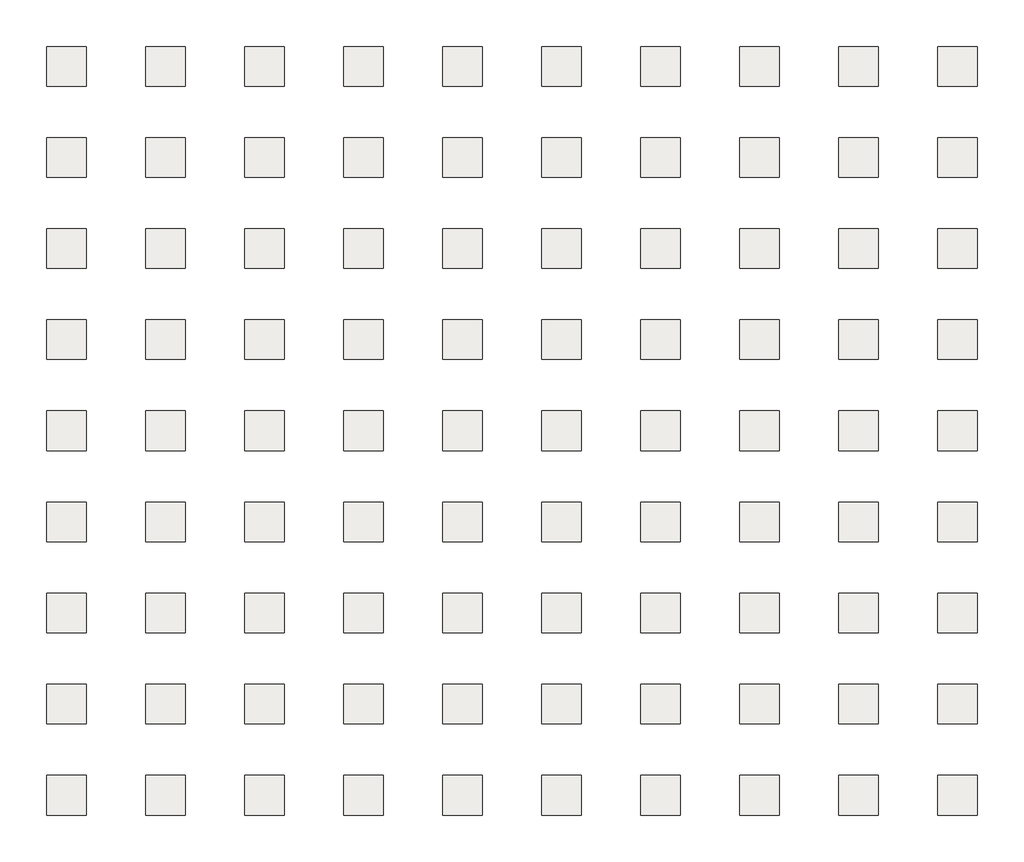
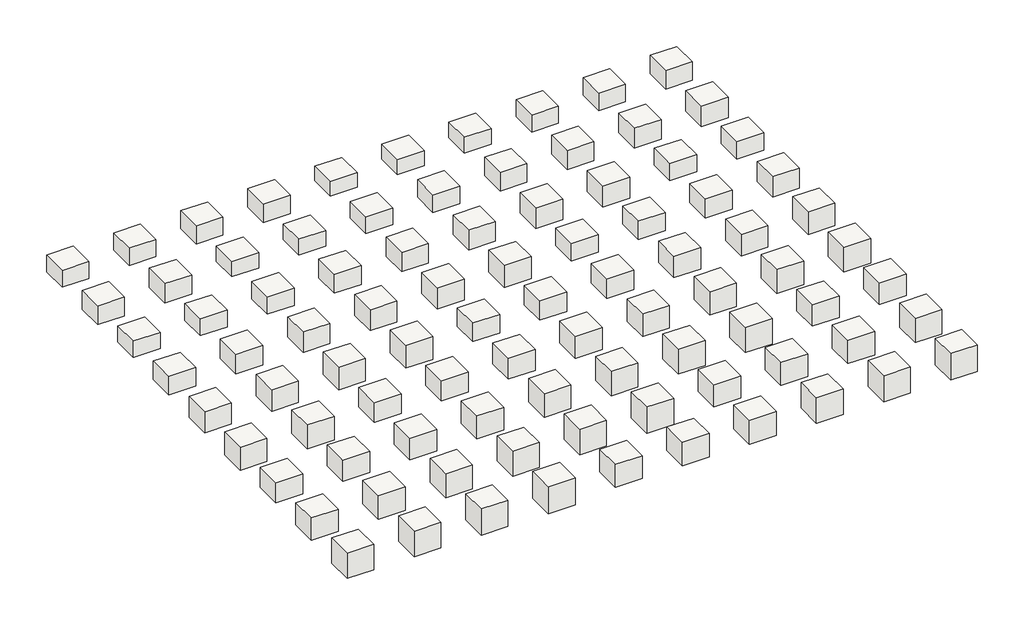
# One storey: 90 slabs.
"""IFC4 building model written with IfcOpenShell, lengths in millimetres."""

from ifc_helpers import new_model, si_unit, frame, origin, place, context, project, spatial, polyline, outline, extrude, element, save

model = new_model("IFC4")

# Units and contexts
model_context = context("Model", 3, world=origin())
ifc_project = project(units=[si_unit("LENGTHUNIT", "METRE", prefix="MILLI")], contexts=[model_context])

# Site, building, storey
site = spatial("IfcSite", under=ifc_project)
building = spatial("IfcBuilding", under=site)
storey = spatial("IfcBuildingStorey", under=building, Elevation=7010.4)

# Slabs
placement = place(None, origin())
element("IfcSlab", 1, at=placement, inside=storey, context=model_context, shape_type="SweptSolid", body=[
    extrude(outline(polyline([(-14128.9835383, 9270.2863389), (-14128.9835383, 6222.2863389), (-17176.9835383, 6222.2863389), (-17176.9835383, 9270.2863389), (-14128.9835383, 9270.2863389)])), frame((0.0, 0.0, 4998.7199314), z_axis=(0.0, 0.0, 1.0), x_axis=(1.0, 0.0, 0.0)), (0.0, 0.0, 1.0), 2011.6800686),
])
element("IfcSlab", 2, at=placement, inside=storey, context=model_context, shape_type="SweptSolid", body=[
    extrude(outline(polyline([(-6508.9835383, 9270.2863389), (-6508.9835383, 6222.2863389), (-9556.9835383, 6222.2863389), (-9556.9835383, 9270.2863389), (-6508.9835383, 9270.2863389)])), frame((0.0, 0.0, 4922.5199314), z_axis=(0.0, 0.0, 1.0), x_axis=(1.0, 0.0, 0.0)), (0.0, 0.0, 1.0), 2087.8800686),
])
element("IfcSlab", 3, at=placement, inside=storey, context=model_context, shape_type="SweptSolid", body=[
    extrude(outline(polyline([(1111.0164617, 9270.2863389), (1111.0164617, 6222.2863389), (-1936.9835383, 6222.2863389), (-1936.9835383, 9270.2863389), (1111.0164617, 9270.2863389)])), frame((0.0, 0.0, 4846.3199314), z_axis=(0.0, 0.0, 1.0), x_axis=(1.0, 0.0, 0.0)), (0.0, 0.0, 1.0), 2164.0800686),
])
element("IfcSlab", 4, at=placement, inside=storey, context=model_context, shape_type="SweptSolid", body=[
    extrude(outline(polyline([(8731.0164617, 9270.2863389), (8731.0164617, 6222.2863389), (5683.0164617, 6222.2863389), (5683.0164617, 9270.2863389), (8731.0164617, 9270.2863389)])), frame((0.0, 0.0, 4770.1199314), z_axis=(0.0, 0.0, 1.0), x_axis=(1.0, 0.0, 0.0)), (0.0, 0.0, 1.0), 2240.2800686),
])
element("IfcSlab", 5, at=placement, inside=storey, context=model_context, shape_type="SweptSolid", body=[
    extrude(outline(polyline([(16351.0164617, 9270.2863389), (16351.0164617, 6222.2863389), (13303.0164617, 6222.2863389), (13303.0164617, 9270.2863389), (16351.0164617, 9270.2863389)])), frame((0.0, 0.0, 5280.6599896), z_axis=(0.0, 0.0, 1.0), x_axis=(1.0, 0.0, 0.0)), (0.0, 0.0, 1.0), 1729.7400104),
])
element("IfcSlab", 6, at=placement, inside=storey, context=model_context, shape_type="SweptSolid", body=[
    extrude(outline(polyline([(23971.0164617, 9270.2863389), (23971.0164617, 6222.2863389), (20923.0164617, 6222.2863389), (20923.0164617, 9270.2863389), (23971.0164617, 9270.2863389)])), frame((0.0, 0.0, 5204.4599896), z_axis=(0.0, 0.0, 1.0), x_axis=(1.0, 0.0, 0.0)), (0.0, 0.0, 1.0), 1805.9400104),
])
element("IfcSlab", 7, at=placement, inside=storey, context=model_context, shape_type="SweptSolid", body=[
    extrude(outline(polyline([(31591.0164617, 9270.2863389), (31591.0164617, 6222.2863389), (28543.0164617, 6222.2863389), (28543.0164617, 9270.2863389), (31591.0164617, 9270.2863389)])), frame((0.0, 0.0, 5128.2599896), z_axis=(0.0, 0.0, 1.0), x_axis=(1.0, 0.0, 0.0)), (0.0, 0.0, 1.0), 1882.1400104),
])
element("IfcSlab", 8, at=placement, inside=storey, context=model_context, shape_type="SweptSolid", body=[
    extrude(outline(polyline([(39211.0164617, 9270.2863389), (39211.0164617, 6222.2863389), (36163.0164617, 6222.2863389), (36163.0164617, 9270.2863389), (39211.0164617, 9270.2863389)])), frame((0.0, 0.0, 4975.8599896), z_axis=(0.0, 0.0, 1.0), x_axis=(1.0, 0.0, 0.0)), (0.0, 0.0, 1.0), 2034.5400104),
])
element("IfcSlab", 9, at=placement, inside=storey, context=model_context, shape_type="SweptSolid", body=[
    extrude(outline(polyline([(46831.0164617, 9270.2863389), (46831.0164617, 6222.2863389), (43783.0164617, 6222.2863389), (43783.0164617, 9270.2863389), (46831.0164617, 9270.2863389)])), frame((0.0, 0.0, 4899.6599896), z_axis=(0.0, 0.0, 1.0), x_axis=(1.0, 0.0, 0.0)), (0.0, 0.0, 1.0), 2110.7400104),
])
element("IfcSlab", 10, at=placement, inside=storey, context=model_context, shape_type="SweptSolid", body=[
    extrude(outline(polyline([(54451.0164617, 9270.2863389), (54451.0164617, 6222.2863389), (51403.0164617, 6222.2863389), (51403.0164617, 9270.2863389), (54451.0164617, 9270.2863389)])), frame((0.0, 0.0, 4823.4599896), z_axis=(0.0, 0.0, 1.0), x_axis=(1.0, 0.0, 0.0)), (0.0, 0.0, 1.0), 2186.9400104),
])
element("IfcSlab", 11, at=placement, inside=storey, context=model_context, shape_type="SweptSolid", body=[
    extrude(outline(polyline([(-14128.9835383, 2259.8863389), (-14128.9835383, -788.1136611), (-17176.9835383, -788.1136611), (-17176.9835383, 2259.8863389), (-14128.9835383, 2259.8863389)])), frame((0.0, 0.0, 4747.2599896), z_axis=(0.0, 0.0, 1.0), x_axis=(1.0, 0.0, 0.0)), (0.0, 0.0, 1.0), 2263.1400104),
])
element("IfcSlab", 12, at=placement, inside=storey, context=model_context, shape_type="SweptSolid", body=[
    extrude(outline(polyline([(-6508.9835383, 2259.8863389), (-6508.9835383, -788.1136611), (-9556.9835383, -788.1136611), (-9556.9835383, 2259.8863389), (-6508.9835383, 2259.8863389)])), frame((0.0, 0.0, 4671.0599896), z_axis=(0.0, 0.0, 1.0), x_axis=(1.0, 0.0, 0.0)), (0.0, 0.0, 1.0), 2339.3400104),
])
element("IfcSlab", 13, at=placement, inside=storey, context=model_context, shape_type="SweptSolid", body=[
    extrude(outline(polyline([(1111.0164617, 2259.8863389), (1111.0164617, -788.1136611), (-1936.9835383, -788.1136611), (-1936.9835383, 2259.8863389), (1111.0164617, 2259.8863389)])), frame((0.0, 0.0, 5179.0599411), z_axis=(0.0, 0.0, 1.0), x_axis=(1.0, 0.0, 0.0)), (0.0, 0.0, 1.0), 1831.3400589),
])
element("IfcSlab", 14, at=placement, inside=storey, context=model_context, shape_type="SweptSolid", body=[
    extrude(outline(polyline([(8731.0164617, 2259.8863389), (8731.0164617, -788.1136611), (5683.0164617, -788.1136611), (5683.0164617, 2259.8863389), (8731.0164617, 2259.8863389)])), frame((0.0, 0.0, 5102.8599411), z_axis=(0.0, 0.0, 1.0), x_axis=(1.0, 0.0, 0.0)), (0.0, 0.0, 1.0), 1907.5400589),
])
element("IfcSlab", 15, at=placement, inside=storey, context=model_context, shape_type="SweptSolid", body=[
    extrude(outline(polyline([(16351.0164617, 2259.8863389), (16351.0164617, -788.1136611), (13303.0164617, -788.1136611), (13303.0164617, 2259.8863389), (16351.0164617, 2259.8863389)])), frame((0.0, 0.0, 5026.6599411), z_axis=(0.0, 0.0, 1.0), x_axis=(1.0, 0.0, 0.0)), (0.0, 0.0, 1.0), 1983.7400589),
])
element("IfcSlab", 16, at=placement, inside=storey, context=model_context, shape_type="SweptSolid", body=[
    extrude(outline(polyline([(23971.0164617, 2259.8863389), (23971.0164617, -788.1136611), (20923.0164617, -788.1136611), (20923.0164617, 2259.8863389), (23971.0164617, 2259.8863389)])), frame((0.0, 0.0, 4874.2599411), z_axis=(0.0, 0.0, 1.0), x_axis=(1.0, 0.0, 0.0)), (0.0, 0.0, 1.0), 2136.1400589),
])
element("IfcSlab", 17, at=placement, inside=storey, context=model_context, shape_type="SweptSolid", body=[
    extrude(outline(polyline([(31591.0164617, 2259.8863389), (31591.0164617, -788.1136611), (28543.0164617, -788.1136611), (28543.0164617, 2259.8863389), (31591.0164617, 2259.8863389)])), frame((0.0, 0.0, 4798.0599411), z_axis=(0.0, 0.0, 1.0), x_axis=(1.0, 0.0, 0.0)), (0.0, 0.0, 1.0), 2212.3400589),
])
element("IfcSlab", 18, at=placement, inside=storey, context=model_context, shape_type="SweptSolid", body=[
    extrude(outline(polyline([(39211.0164617, 2259.8863389), (39211.0164617, -788.1136611), (36163.0164617, -788.1136611), (36163.0164617, 2259.8863389), (39211.0164617, 2259.8863389)])), frame((0.0, 0.0, 4721.8599411), z_axis=(0.0, 0.0, 1.0), x_axis=(1.0, 0.0, 0.0)), (0.0, 0.0, 1.0), 2288.5400589),
])
element("IfcSlab", 19, at=placement, inside=storey, context=model_context, shape_type="SweptSolid", body=[
    extrude(outline(polyline([(46831.0164617, 2259.8863389), (46831.0164617, -788.1136611), (43783.0164617, -788.1136611), (43783.0164617, 2259.8863389), (46831.0164617, 2259.8863389)])), frame((0.0, 0.0, 4645.6599411), z_axis=(0.0, 0.0, 1.0), x_axis=(1.0, 0.0, 0.0)), (0.0, 0.0, 1.0), 2364.7400589),
])
element("IfcSlab", 20, at=placement, inside=storey, context=model_context, shape_type="SweptSolid", body=[
    extrude(outline(polyline([(54451.0164617, 2259.8863389), (54451.0164617, -788.1136611), (51403.0164617, -788.1136611), (51403.0164617, 2259.8863389), (54451.0164617, 2259.8863389)])), frame((0.0, 0.0, 4569.4599411), z_axis=(0.0, 0.0, 1.0), x_axis=(1.0, 0.0, 0.0)), (0.0, 0.0, 1.0), 2440.9400589),
])
element("IfcSlab", 21, at=placement, inside=storey, context=model_context, shape_type="SweptSolid", body=[
    extrude(outline(polyline([(-14128.9835383, -4750.5136611), (-14128.9835383, -7798.5136611), (-17176.9835383, -7798.5136611), (-17176.9835383, -4750.5136611), (-14128.9835383, -4750.5136611)])), frame((0.0, 0.0, 5079.9999992), z_axis=(0.0, 0.0, 1.0), x_axis=(1.0, 0.0, 0.0)), (0.0, 0.0, 1.0), 1930.4000008),
])
element("IfcSlab", 22, at=placement, inside=storey, context=model_context, shape_type="SweptSolid", body=[
    extrude(outline(polyline([(-6508.9835383, -4750.5136611), (-6508.9835383, -7798.5136611), (-9556.9835383, -7798.5136611), (-9556.9835383, -4750.5136611), (-6508.9835383, -4750.5136611)])), frame((0.0, 0.0, 5003.7999992), z_axis=(0.0, 0.0, 1.0), x_axis=(1.0, 0.0, 0.0)), (0.0, 0.0, 1.0), 2006.6000008),
])
element("IfcSlab", 23, at=placement, inside=storey, context=model_context, shape_type="SweptSolid", body=[
    extrude(outline(polyline([(1111.0164617, -4750.5136611), (1111.0164617, -7798.5136611), (-1936.9835383, -7798.5136611), (-1936.9835383, -4750.5136611), (1111.0164617, -4750.5136611)])), frame((0.0, 0.0, 4927.5999992), z_axis=(0.0, 0.0, 1.0), x_axis=(1.0, 0.0, 0.0)), (0.0, 0.0, 1.0), 2082.8000008),
])
element("IfcSlab", 24, at=placement, inside=storey, context=model_context, shape_type="SweptSolid", body=[
    extrude(outline(polyline([(8731.0164617, -4750.5136611), (8731.0164617, -7798.5136611), (5683.0164617, -7798.5136611), (5683.0164617, -4750.5136611), (8731.0164617, -4750.5136611)])), frame((0.0, 0.0, 4775.1999992), z_axis=(0.0, 0.0, 1.0), x_axis=(1.0, 0.0, 0.0)), (0.0, 0.0, 1.0), 2235.2000008),
])
element("IfcSlab", 25, at=placement, inside=storey, context=model_context, shape_type="SweptSolid", body=[
    extrude(outline(polyline([(16351.0164617, -4750.5136611), (16351.0164617, -7798.5136611), (13303.0164617, -7798.5136611), (13303.0164617, -4750.5136611), (16351.0164617, -4750.5136611)])), frame((0.0, 0.0, 4698.9999992), z_axis=(0.0, 0.0, 1.0), x_axis=(1.0, 0.0, 0.0)), (0.0, 0.0, 1.0), 2311.4000008),
])
element("IfcSlab", 26, at=placement, inside=storey, context=model_context, shape_type="SweptSolid", body=[
    extrude(outline(polyline([(23971.0164617, -4750.5136611), (23971.0164617, -7798.5136611), (20923.0164617, -7798.5136611), (20923.0164617, -4750.5136611), (23971.0164617, -4750.5136611)])), frame((0.0, 0.0, 4622.7999992), z_axis=(0.0, 0.0, 1.0), x_axis=(1.0, 0.0, 0.0)), (0.0, 0.0, 1.0), 2387.6000008),
])
element("IfcSlab", 27, at=placement, inside=storey, context=model_context, shape_type="SweptSolid", body=[
    extrude(outline(polyline([(31591.0164617, -4750.5136611), (31591.0164617, -7798.5136611), (28543.0164617, -7798.5136611), (28543.0164617, -4750.5136611), (31591.0164617, -4750.5136611)])), frame((0.0, 0.0, 4546.5999992), z_axis=(0.0, 0.0, 1.0), x_axis=(1.0, 0.0, 0.0)), (0.0, 0.0, 1.0), 2463.8000008),
])
element("IfcSlab", 28, at=placement, inside=storey, context=model_context, shape_type="SweptSolid", body=[
    extrude(outline(polyline([(39211.0164617, -4750.5136611), (39211.0164617, -7798.5136611), (36163.0164617, -7798.5136611), (36163.0164617, -4750.5136611), (39211.0164617, -4750.5136611)])), frame((0.0, 0.0, 4470.3999992), z_axis=(0.0, 0.0, 1.0), x_axis=(1.0, 0.0, 0.0)), (0.0, 0.0, 1.0), 2540.0000008),
])
element("IfcSlab", 29, at=placement, inside=storey, context=model_context, shape_type="SweptSolid", body=[
    extrude(outline(polyline([(46831.0164617, -4750.5136611), (46831.0164617, -7798.5136611), (43783.0164617, -7798.5136611), (43783.0164617, -4750.5136611), (46831.0164617, -4750.5136611)])), frame((0.0, 0.0, 4980.9400574), z_axis=(0.0, 0.0, 1.0), x_axis=(1.0, 0.0, 0.0)), (0.0, 0.0, 1.0), 2029.4599426),
])
element("IfcSlab", 30, at=placement, inside=storey, context=model_context, shape_type="SweptSolid", body=[
    extrude(outline(polyline([(54451.0164617, -4750.5136611), (54451.0164617, -7798.5136611), (51403.0164617, -7798.5136611), (51403.0164617, -4750.5136611), (54451.0164617, -4750.5136611)])), frame((0.0, 0.0, 4904.7400574), z_axis=(0.0, 0.0, 1.0), x_axis=(1.0, 0.0, 0.0)), (0.0, 0.0, 1.0), 2105.6599426),
])
element("IfcSlab", 31, at=placement, inside=storey, context=model_context, shape_type="SweptSolid", body=[
    extrude(outline(polyline([(-14128.9835383, -11760.9136611), (-14128.9835383, -14808.9136611), (-17176.9835383, -14808.9136611), (-17176.9835383, -11760.9136611), (-14128.9835383, -11760.9136611)])), frame((0.0, 0.0, 4828.5400574), z_axis=(0.0, 0.0, 1.0), x_axis=(1.0, 0.0, 0.0)), (0.0, 0.0, 1.0), 2181.8599426),
])
element("IfcSlab", 32, at=placement, inside=storey, context=model_context, shape_type="SweptSolid", body=[
    extrude(outline(polyline([(-6508.9835383, -11760.9136611), (-6508.9835383, -14808.9136611), (-9556.9835383, -14808.9136611), (-9556.9835383, -11760.9136611), (-6508.9835383, -11760.9136611)])), frame((0.0, 0.0, 4676.1400574), z_axis=(0.0, 0.0, 1.0), x_axis=(1.0, 0.0, 0.0)), (0.0, 0.0, 1.0), 2334.2599426),
])
element("IfcSlab", 33, at=placement, inside=storey, context=model_context, shape_type="SweptSolid", body=[
    extrude(outline(polyline([(1111.0164617, -11760.9136611), (1111.0164617, -14808.9136611), (-1936.9835383, -14808.9136611), (-1936.9835383, -11760.9136611), (1111.0164617, -11760.9136611)])), frame((0.0, 0.0, 4599.9400574), z_axis=(0.0, 0.0, 1.0), x_axis=(1.0, 0.0, 0.0)), (0.0, 0.0, 1.0), 2410.4599426),
])
element("IfcSlab", 34, at=placement, inside=storey, context=model_context, shape_type="SweptSolid", body=[
    extrude(outline(polyline([(8731.0164617, -11760.9136611), (8731.0164617, -14808.9136611), (5683.0164617, -14808.9136611), (5683.0164617, -11760.9136611), (8731.0164617, -11760.9136611)])), frame((0.0, 0.0, 4523.7400574), z_axis=(0.0, 0.0, 1.0), x_axis=(1.0, 0.0, 0.0)), (0.0, 0.0, 1.0), 2486.6599426),
])
element("IfcSlab", 35, at=placement, inside=storey, context=model_context, shape_type="SweptSolid", body=[
    extrude(outline(polyline([(16351.0164617, -11760.9136611), (16351.0164617, -14808.9136611), (13303.0164617, -14808.9136611), (13303.0164617, -11760.9136611), (16351.0164617, -11760.9136611)])), frame((0.0, 0.0, 4447.5400574), z_axis=(0.0, 0.0, 1.0), x_axis=(1.0, 0.0, 0.0)), (0.0, 0.0, 1.0), 2562.8599426),
])
element("IfcSlab", 36, at=placement, inside=storey, context=model_context, shape_type="SweptSolid", body=[
    extrude(outline(polyline([(23971.0164617, -11760.9136611), (23971.0164617, -14808.9136611), (20923.0164617, -14808.9136611), (20923.0164617, -11760.9136611), (23971.0164617, -11760.9136611)])), frame((0.0, 0.0, 4371.3400574), z_axis=(0.0, 0.0, 1.0), x_axis=(1.0, 0.0, 0.0)), (0.0, 0.0, 1.0), 2639.0599426),
])
element("IfcSlab", 37, at=placement, inside=storey, context=model_context, shape_type="SweptSolid", body=[
    extrude(outline(polyline([(31591.0164617, -11760.9136611), (31591.0164617, -14808.9136611), (28543.0164617, -14808.9136611), (28543.0164617, -11760.9136611), (31591.0164617, -11760.9136611)])), frame((0.0, 0.0, 4879.3400089), z_axis=(0.0, 0.0, 1.0), x_axis=(1.0, 0.0, 0.0)), (0.0, 0.0, 1.0), 2131.0599911),
])
element("IfcSlab", 38, at=placement, inside=storey, context=model_context, shape_type="SweptSolid", body=[
    extrude(outline(polyline([(39211.0164617, -11760.9136611), (39211.0164617, -14808.9136611), (36163.0164617, -14808.9136611), (36163.0164617, -11760.9136611), (39211.0164617, -11760.9136611)])), frame((0.0, 0.0, 4803.1400089), z_axis=(0.0, 0.0, 1.0), x_axis=(1.0, 0.0, 0.0)), (0.0, 0.0, 1.0), 2207.2599911),
])
element("IfcSlab", 39, at=placement, inside=storey, context=model_context, shape_type="SweptSolid", body=[
    extrude(outline(polyline([(46831.0164617, -11760.9136611), (46831.0164617, -14808.9136611), (43783.0164617, -14808.9136611), (43783.0164617, -11760.9136611), (46831.0164617, -11760.9136611)])), frame((0.0, 0.0, 4726.9400089), z_axis=(0.0, 0.0, 1.0), x_axis=(1.0, 0.0, 0.0)), (0.0, 0.0, 1.0), 2283.4599911),
])
element("IfcSlab", 40, at=placement, inside=storey, context=model_context, shape_type="SweptSolid", body=[
    extrude(outline(polyline([(54451.0164617, -11760.9136611), (54451.0164617, -14808.9136611), (51403.0164617, -14808.9136611), (51403.0164617, -11760.9136611), (54451.0164617, -11760.9136611)])), frame((0.0, 0.0, 4574.5400089), z_axis=(0.0, 0.0, 1.0), x_axis=(1.0, 0.0, 0.0)), (0.0, 0.0, 1.0), 2435.8599911),
])
element("IfcSlab", 41, at=placement, inside=storey, context=model_context, shape_type="SweptSolid", body=[
    extrude(outline(polyline([(-14128.9835383, -18771.3136611), (-14128.9835383, -21819.3136611), (-17176.9835383, -21819.3136611), (-17176.9835383, -18771.3136611), (-14128.9835383, -18771.3136611)])), frame((0.0, 0.0, 4498.3400089), z_axis=(0.0, 0.0, 1.0), x_axis=(1.0, 0.0, 0.0)), (0.0, 0.0, 1.0), 2512.0599911),
])
element("IfcSlab", 42, at=placement, inside=storey, context=model_context, shape_type="SweptSolid", body=[
    extrude(outline(polyline([(-6508.9835383, -18771.3136611), (-6508.9835383, -21819.3136611), (-9556.9835383, -21819.3136611), (-9556.9835383, -18771.3136611), (-6508.9835383, -18771.3136611)])), frame((0.0, 0.0, 4422.1400089), z_axis=(0.0, 0.0, 1.0), x_axis=(1.0, 0.0, 0.0)), (0.0, 0.0, 1.0), 2588.2599911),
])
element("IfcSlab", 43, at=placement, inside=storey, context=model_context, shape_type="SweptSolid", body=[
    extrude(outline(polyline([(1111.0164617, -18771.3136611), (1111.0164617, -21819.3136611), (-1936.9835383, -21819.3136611), (-1936.9835383, -18771.3136611), (1111.0164617, -18771.3136611)])), frame((0.0, 0.0, 4345.9400089), z_axis=(0.0, 0.0, 1.0), x_axis=(1.0, 0.0, 0.0)), (0.0, 0.0, 1.0), 2664.4599911),
])
element("IfcSlab", 44, at=placement, inside=storey, context=model_context, shape_type="SweptSolid", body=[
    extrude(outline(polyline([(8731.0164617, -18771.3136611), (8731.0164617, -21819.3136611), (5683.0164617, -21819.3136611), (5683.0164617, -18771.3136611), (8731.0164617, -18771.3136611)])), frame((0.0, 0.0, 4269.7400089), z_axis=(0.0, 0.0, 1.0), x_axis=(1.0, 0.0, 0.0)), (0.0, 0.0, 1.0), 2740.6599911),
])
element("IfcSlab", 45, at=placement, inside=storey, context=model_context, shape_type="SweptSolid", body=[
    extrude(outline(polyline([(16351.0164617, -18771.3136611), (16351.0164617, -21819.3136611), (13303.0164617, -21819.3136611), (13303.0164617, -18771.3136611), (16351.0164617, -18771.3136611)])), frame((0.0, 0.0, 4780.2800671), z_axis=(0.0, 0.0, 1.0), x_axis=(1.0, 0.0, 0.0)), (0.0, 0.0, 1.0), 2230.1199329),
])
element("IfcSlab", 46, at=placement, inside=storey, context=model_context, shape_type="SweptSolid", body=[
    extrude(outline(polyline([(23971.0164617, -18771.3136611), (23971.0164617, -21819.3136611), (20923.0164617, -21819.3136611), (20923.0164617, -18771.3136611), (23971.0164617, -18771.3136611)])), frame((0.0, 0.0, 4704.0800671), z_axis=(0.0, 0.0, 1.0), x_axis=(1.0, 0.0, 0.0)), (0.0, 0.0, 1.0), 2306.3199329),
])
element("IfcSlab", 47, at=placement, inside=storey, context=model_context, shape_type="SweptSolid", body=[
    extrude(outline(polyline([(31591.0164617, -18771.3136611), (31591.0164617, -21819.3136611), (28543.0164617, -21819.3136611), (28543.0164617, -18771.3136611), (31591.0164617, -18771.3136611)])), frame((0.0, 0.0, 4627.8800671), z_axis=(0.0, 0.0, 1.0), x_axis=(1.0, 0.0, 0.0)), (0.0, 0.0, 1.0), 2382.5199329),
])
element("IfcSlab", 48, at=placement, inside=storey, context=model_context, shape_type="SweptSolid", body=[
    extrude(outline(polyline([(39211.0164617, -18771.3136611), (39211.0164617, -21819.3136611), (36163.0164617, -21819.3136611), (36163.0164617, -18771.3136611), (39211.0164617, -18771.3136611)])), frame((0.0, 0.0, 4475.4800671), z_axis=(0.0, 0.0, 1.0), x_axis=(1.0, 0.0, 0.0)), (0.0, 0.0, 1.0), 2534.9199329),
])
element("IfcSlab", 49, at=placement, inside=storey, context=model_context, shape_type="SweptSolid", body=[
    extrude(outline(polyline([(46831.0164617, -18771.3136611), (46831.0164617, -21819.3136611), (43783.0164617, -21819.3136611), (43783.0164617, -18771.3136611), (46831.0164617, -18771.3136611)])), frame((0.0, 0.0, 4399.2800671), z_axis=(0.0, 0.0, 1.0), x_axis=(1.0, 0.0, 0.0)), (0.0, 0.0, 1.0), 2611.1199329),
])
element("IfcSlab", 50, at=placement, inside=storey, context=model_context, shape_type="SweptSolid", body=[
    extrude(outline(polyline([(54451.0164617, -18771.3136611), (54451.0164617, -21819.3136611), (51403.0164617, -21819.3136611), (51403.0164617, -18771.3136611), (54451.0164617, -18771.3136611)])), frame((0.0, 0.0, 4323.0800671), z_axis=(0.0, 0.0, 1.0), x_axis=(1.0, 0.0, 0.0)), (0.0, 0.0, 1.0), 2687.3199329),
])
element("IfcSlab", 51, at=placement, inside=storey, context=model_context, shape_type="SweptSolid", body=[
    extrude(outline(polyline([(-14128.9835383, -25781.7136611), (-14128.9835383, -28829.7136611), (-17176.9835383, -28829.7136611), (-17176.9835383, -25781.7136611), (-14128.9835383, -25781.7136611)])), frame((0.0, 0.0, 4246.8800671), z_axis=(0.0, 0.0, 1.0), x_axis=(1.0, 0.0, 0.0)), (0.0, 0.0, 1.0), 2763.5199329),
])
element("IfcSlab", 52, at=placement, inside=storey, context=model_context, shape_type="SweptSolid", body=[
    extrude(outline(polyline([(-6508.9835383, -25781.7136611), (-6508.9835383, -28829.7136611), (-9556.9835383, -28829.7136611), (-9556.9835383, -25781.7136611), (-6508.9835383, -25781.7136611)])), frame((0.0, 0.0, 4170.6800671), z_axis=(0.0, 0.0, 1.0), x_axis=(1.0, 0.0, 0.0)), (0.0, 0.0, 1.0), 2839.7199329),
])
element("IfcSlab", 53, at=placement, inside=storey, context=model_context, shape_type="SweptSolid", body=[
    extrude(outline(polyline([(1111.0164617, -25781.7136611), (1111.0164617, -28829.7136611), (-1936.9835383, -28829.7136611), (-1936.9835383, -25781.7136611), (1111.0164617, -25781.7136611)])), frame((0.0, 0.0, 4681.2199799), z_axis=(0.0, 0.0, 1.0), x_axis=(1.0, 0.0, 0.0)), (0.0, 0.0, 1.0), 2329.1800201),
])
element("IfcSlab", 54, at=placement, inside=storey, context=model_context, shape_type="SweptSolid", body=[
    extrude(outline(polyline([(8731.0164617, -25781.7136611), (8731.0164617, -28829.7136611), (5683.0164617, -28829.7136611), (5683.0164617, -25781.7136611), (8731.0164617, -25781.7136611)])), frame((0.0, 0.0, 4605.0199799), z_axis=(0.0, 0.0, 1.0), x_axis=(1.0, 0.0, 0.0)), (0.0, 0.0, 1.0), 2405.3800201),
])
element("IfcSlab", 55, at=placement, inside=storey, context=model_context, shape_type="SweptSolid", body=[
    extrude(outline(polyline([(16351.0164617, -25781.7136611), (16351.0164617, -28829.7136611), (13303.0164617, -28829.7136611), (13303.0164617, -25781.7136611), (16351.0164617, -25781.7136611)])), frame((0.0, 0.0, 4528.8199799), z_axis=(0.0, 0.0, 1.0), x_axis=(1.0, 0.0, 0.0)), (0.0, 0.0, 1.0), 2481.5800201),
])
element("IfcSlab", 56, at=placement, inside=storey, context=model_context, shape_type="SweptSolid", body=[
    extrude(outline(polyline([(23971.0164617, -25781.7136611), (23971.0164617, -28829.7136611), (20923.0164617, -28829.7136611), (20923.0164617, -25781.7136611), (23971.0164617, -25781.7136611)])), frame((0.0, 0.0, 4376.4199799), z_axis=(0.0, 0.0, 1.0), x_axis=(1.0, 0.0, 0.0)), (0.0, 0.0, 1.0), 2633.9800201),
])
element("IfcSlab", 57, at=placement, inside=storey, context=model_context, shape_type="SweptSolid", body=[
    extrude(outline(polyline([(31591.0164617, -25781.7136611), (31591.0164617, -28829.7136611), (28543.0164617, -28829.7136611), (28543.0164617, -25781.7136611), (31591.0164617, -25781.7136611)])), frame((0.0, 0.0, 4300.2199799), z_axis=(0.0, 0.0, 1.0), x_axis=(1.0, 0.0, 0.0)), (0.0, 0.0, 1.0), 2710.1800201),
])
element("IfcSlab", 58, at=placement, inside=storey, context=model_context, shape_type="SweptSolid", body=[
    extrude(outline(polyline([(39211.0164617, -25781.7136611), (39211.0164617, -28829.7136611), (36163.0164617, -28829.7136611), (36163.0164617, -25781.7136611), (39211.0164617, -25781.7136611)])), frame((0.0, 0.0, 4224.0199799), z_axis=(0.0, 0.0, 1.0), x_axis=(1.0, 0.0, 0.0)), (0.0, 0.0, 1.0), 2786.3800201),
])
element("IfcSlab", 59, at=placement, inside=storey, context=model_context, shape_type="SweptSolid", body=[
    extrude(outline(polyline([(46831.0164617, -25781.7136611), (46831.0164617, -28829.7136611), (43783.0164617, -28829.7136611), (43783.0164617, -25781.7136611), (46831.0164617, -25781.7136611)])), frame((0.0, 0.0, 4147.8199799), z_axis=(0.0, 0.0, 1.0), x_axis=(1.0, 0.0, 0.0)), (0.0, 0.0, 1.0), 2862.5800201),
])
element("IfcSlab", 60, at=placement, inside=storey, context=model_context, shape_type="SweptSolid", body=[
    extrude(outline(polyline([(54451.0164617, -25781.7136611), (54451.0164617, -28829.7136611), (51403.0164617, -28829.7136611), (51403.0164617, -25781.7136611), (54451.0164617, -25781.7136611)])), frame((0.0, 0.0, 4071.6199799), z_axis=(0.0, 0.0, 1.0), x_axis=(1.0, 0.0, 0.0)), (0.0, 0.0, 1.0), 2938.7800201),
])
element("IfcSlab", 61, at=placement, inside=storey, context=model_context, shape_type="SweptSolid", body=[
    extrude(outline(polyline([(-14128.9835383, -32792.1136611), (-14128.9835383, -35840.1136611), (-17176.9835383, -35840.1136611), (-17176.9835383, -32792.1136611), (-14128.9835383, -32792.1136611)])), frame((0.0, 0.0, 4579.6199314), z_axis=(0.0, 0.0, 1.0), x_axis=(1.0, 0.0, 0.0)), (0.0, 0.0, 1.0), 2430.7800686),
])
element("IfcSlab", 62, at=placement, inside=storey, context=model_context, shape_type="SweptSolid", body=[
    extrude(outline(polyline([(-6508.9835383, -32792.1136611), (-6508.9835383, -35840.1136611), (-9556.9835383, -35840.1136611), (-9556.9835383, -32792.1136611), (-6508.9835383, -32792.1136611)])), frame((0.0, 0.0, 4503.4199314), z_axis=(0.0, 0.0, 1.0), x_axis=(1.0, 0.0, 0.0)), (0.0, 0.0, 1.0), 2506.9800686),
])
element("IfcSlab", 63, at=placement, inside=storey, context=model_context, shape_type="SweptSolid", body=[
    extrude(outline(polyline([(1111.0164617, -32792.1136611), (1111.0164617, -35840.1136611), (-1936.9835383, -35840.1136611), (-1936.9835383, -32792.1136611), (1111.0164617, -32792.1136611)])), frame((0.0, 0.0, 4427.2199314), z_axis=(0.0, 0.0, 1.0), x_axis=(1.0, 0.0, 0.0)), (0.0, 0.0, 1.0), 2583.1800686),
])
element("IfcSlab", 64, at=placement, inside=storey, context=model_context, shape_type="SweptSolid", body=[
    extrude(outline(polyline([(8731.0164617, -32792.1136611), (8731.0164617, -35840.1136611), (5683.0164617, -35840.1136611), (5683.0164617, -32792.1136611), (8731.0164617, -32792.1136611)])), frame((0.0, 0.0, 4274.8199314), z_axis=(0.0, 0.0, 1.0), x_axis=(1.0, 0.0, 0.0)), (0.0, 0.0, 1.0), 2735.5800686),
])
element("IfcSlab", 65, at=placement, inside=storey, context=model_context, shape_type="SweptSolid", body=[
    extrude(outline(polyline([(16351.0164617, -32792.1136611), (16351.0164617, -35840.1136611), (13303.0164617, -35840.1136611), (13303.0164617, -32792.1136611), (16351.0164617, -32792.1136611)])), frame((0.0, 0.0, 4198.6199314), z_axis=(0.0, 0.0, 1.0), x_axis=(1.0, 0.0, 0.0)), (0.0, 0.0, 1.0), 2811.7800686),
])
element("IfcSlab", 66, at=placement, inside=storey, context=model_context, shape_type="SweptSolid", body=[
    extrude(outline(polyline([(23971.0164617, -32792.1136611), (23971.0164617, -35840.1136611), (20923.0164617, -35840.1136611), (20923.0164617, -32792.1136611), (23971.0164617, -32792.1136611)])), frame((0.0, 0.0, 4122.4199314), z_axis=(0.0, 0.0, 1.0), x_axis=(1.0, 0.0, 0.0)), (0.0, 0.0, 1.0), 2887.9800686),
])
element("IfcSlab", 67, at=placement, inside=storey, context=model_context, shape_type="SweptSolid", body=[
    extrude(outline(polyline([(31591.0164617, -32792.1136611), (31591.0164617, -35840.1136611), (28543.0164617, -35840.1136611), (28543.0164617, -32792.1136611), (31591.0164617, -32792.1136611)])), frame((0.0, 0.0, 4046.2199314), z_axis=(0.0, 0.0, 1.0), x_axis=(1.0, 0.0, 0.0)), (0.0, 0.0, 1.0), 2964.1800686),
])
element("IfcSlab", 68, at=placement, inside=storey, context=model_context, shape_type="SweptSolid", body=[
    extrude(outline(polyline([(39211.0164617, -32792.1136611), (39211.0164617, -35840.1136611), (36163.0164617, -35840.1136611), (36163.0164617, -32792.1136611), (39211.0164617, -32792.1136611)])), frame((0.0, 0.0, 3970.0199314), z_axis=(0.0, 0.0, 1.0), x_axis=(1.0, 0.0, 0.0)), (0.0, 0.0, 1.0), 3040.3800686),
])
element("IfcSlab", 69, at=placement, inside=storey, context=model_context, shape_type="SweptSolid", body=[
    extrude(outline(polyline([(46831.0164617, -32792.1136611), (46831.0164617, -35840.1136611), (43783.0164617, -35840.1136611), (43783.0164617, -32792.1136611), (46831.0164617, -32792.1136611)])), frame((0.0, 0.0, 4480.5599896), z_axis=(0.0, 0.0, 1.0), x_axis=(1.0, 0.0, 0.0)), (0.0, 0.0, 1.0), 2529.8400104),
])
element("IfcSlab", 70, at=placement, inside=storey, context=model_context, shape_type="SweptSolid", body=[
    extrude(outline(polyline([(54451.0164617, -32792.1136611), (54451.0164617, -35840.1136611), (51403.0164617, -35840.1136611), (51403.0164617, -32792.1136611), (54451.0164617, -32792.1136611)])), frame((0.0, 0.0, 4404.3599896), z_axis=(0.0, 0.0, 1.0), x_axis=(1.0, 0.0, 0.0)), (0.0, 0.0, 1.0), 2606.0400104),
])
element("IfcSlab", 71, at=placement, inside=storey, context=model_context, shape_type="SweptSolid", body=[
    extrude(outline(polyline([(-14128.9835383, -39802.5136611), (-14128.9835383, -42850.5136611), (-17176.9835383, -42850.5136611), (-17176.9835383, -39802.5136611), (-14128.9835383, -39802.5136611)])), frame((0.0, 0.0, 4328.1599896), z_axis=(0.0, 0.0, 1.0), x_axis=(1.0, 0.0, 0.0)), (0.0, 0.0, 1.0), 2682.2400104),
])
element("IfcSlab", 72, at=placement, inside=storey, context=model_context, shape_type="SweptSolid", body=[
    extrude(outline(polyline([(-6508.9835383, -39802.5136611), (-6508.9835383, -42850.5136611), (-9556.9835383, -42850.5136611), (-9556.9835383, -39802.5136611), (-6508.9835383, -39802.5136611)])), frame((0.0, 0.0, 4175.7599896), z_axis=(0.0, 0.0, 1.0), x_axis=(1.0, 0.0, 0.0)), (0.0, 0.0, 1.0), 2834.6400104),
])
element("IfcSlab", 73, at=placement, inside=storey, context=model_context, shape_type="SweptSolid", body=[
    extrude(outline(polyline([(1111.0164617, -39802.5136611), (1111.0164617, -42850.5136611), (-1936.9835383, -42850.5136611), (-1936.9835383, -39802.5136611), (1111.0164617, -39802.5136611)])), frame((0.0, 0.0, 4099.5599896), z_axis=(0.0, 0.0, 1.0), x_axis=(1.0, 0.0, 0.0)), (0.0, 0.0, 1.0), 2910.8400104),
])
element("IfcSlab", 74, at=placement, inside=storey, context=model_context, shape_type="SweptSolid", body=[
    extrude(outline(polyline([(8731.0164617, -39802.5136611), (8731.0164617, -42850.5136611), (5683.0164617, -42850.5136611), (5683.0164617, -39802.5136611), (8731.0164617, -39802.5136611)])), frame((0.0, 0.0, 4023.3599896), z_axis=(0.0, 0.0, 1.0), x_axis=(1.0, 0.0, 0.0)), (0.0, 0.0, 1.0), 2987.0400104),
])
element("IfcSlab", 75, at=placement, inside=storey, context=model_context, shape_type="SweptSolid", body=[
    extrude(outline(polyline([(16351.0164617, -39802.5136611), (16351.0164617, -42850.5136611), (13303.0164617, -42850.5136611), (13303.0164617, -39802.5136611), (16351.0164617, -39802.5136611)])), frame((0.0, 0.0, 3947.1599896), z_axis=(0.0, 0.0, 1.0), x_axis=(1.0, 0.0, 0.0)), (0.0, 0.0, 1.0), 3063.2400104),
])
element("IfcSlab", 76, at=placement, inside=storey, context=model_context, shape_type="SweptSolid", body=[
    extrude(outline(polyline([(23971.0164617, -39802.5136611), (23971.0164617, -42850.5136611), (20923.0164617, -42850.5136611), (20923.0164617, -39802.5136611), (23971.0164617, -39802.5136611)])), frame((0.0, 0.0, 3870.9599896), z_axis=(0.0, 0.0, 1.0), x_axis=(1.0, 0.0, 0.0)), (0.0, 0.0, 1.0), 3139.4400104),
])
element("IfcSlab", 77, at=placement, inside=storey, context=model_context, shape_type="SweptSolid", body=[
    extrude(outline(polyline([(31591.0164617, -39802.5136611), (31591.0164617, -42850.5136611), (28543.0164617, -42850.5136611), (28543.0164617, -39802.5136611), (31591.0164617, -39802.5136611)])), frame((0.0, 0.0, 4378.9599411), z_axis=(0.0, 0.0, 1.0), x_axis=(1.0, 0.0, 0.0)), (0.0, 0.0, 1.0), 2631.4400589),
])
element("IfcSlab", 78, at=placement, inside=storey, context=model_context, shape_type="SweptSolid", body=[
    extrude(outline(polyline([(39211.0164617, -39802.5136611), (39211.0164617, -42850.5136611), (36163.0164617, -42850.5136611), (36163.0164617, -39802.5136611), (39211.0164617, -39802.5136611)])), frame((0.0, 0.0, 4302.7599411), z_axis=(0.0, 0.0, 1.0), x_axis=(1.0, 0.0, 0.0)), (0.0, 0.0, 1.0), 2707.6400589),
])
element("IfcSlab", 79, at=placement, inside=storey, context=model_context, shape_type="SweptSolid", body=[
    extrude(outline(polyline([(46831.0164617, -39802.5136611), (46831.0164617, -42850.5136611), (43783.0164617, -42850.5136611), (43783.0164617, -39802.5136611), (46831.0164617, -39802.5136611)])), frame((0.0, 0.0, 4226.5599411), z_axis=(0.0, 0.0, 1.0), x_axis=(1.0, 0.0, 0.0)), (0.0, 0.0, 1.0), 2783.8400589),
])
element("IfcSlab", 80, at=placement, inside=storey, context=model_context, shape_type="SweptSolid", body=[
    extrude(outline(polyline([(54451.0164617, -39802.5136611), (54451.0164617, -42850.5136611), (51403.0164617, -42850.5136611), (51403.0164617, -39802.5136611), (54451.0164617, -39802.5136611)])), frame((0.0, 0.0, 4074.1599411), z_axis=(0.0, 0.0, 1.0), x_axis=(1.0, 0.0, 0.0)), (0.0, 0.0, 1.0), 2936.2400589),
])
element("IfcSlab", 81, at=placement, inside=storey, context=model_context, shape_type="SweptSolid", body=[
    extrude(outline(polyline([(-14128.9835383, -46812.9136611), (-14128.9835383, -49860.9136611), (-17176.9835383, -49860.9136611), (-17176.9835383, -46812.9136611), (-14128.9835383, -46812.9136611)])), frame((0.0, 0.0, 3997.9599411), z_axis=(0.0, 0.0, 1.0), x_axis=(1.0, 0.0, 0.0)), (0.0, 0.0, 1.0), 3012.4400589),
])
element("IfcSlab", 82, at=placement, inside=storey, context=model_context, shape_type="SweptSolid", body=[
    extrude(outline(polyline([(-6508.9835383, -46812.9136611), (-6508.9835383, -49860.9136611), (-9556.9835383, -49860.9136611), (-9556.9835383, -46812.9136611), (-6508.9835383, -46812.9136611)])), frame((0.0, 0.0, 3921.7599411), z_axis=(0.0, 0.0, 1.0), x_axis=(1.0, 0.0, 0.0)), (0.0, 0.0, 1.0), 3088.6400589),
])
element("IfcSlab", 83, at=placement, inside=storey, context=model_context, shape_type="SweptSolid", body=[
    extrude(outline(polyline([(1111.0164617, -46812.9136611), (1111.0164617, -49860.9136611), (-1936.9835383, -49860.9136611), (-1936.9835383, -46812.9136611), (1111.0164617, -46812.9136611)])), frame((0.0, 0.0, 3845.5599411), z_axis=(0.0, 0.0, 1.0), x_axis=(1.0, 0.0, 0.0)), (0.0, 0.0, 1.0), 3164.8400589),
])
element("IfcSlab", 84, at=placement, inside=storey, context=model_context, shape_type="SweptSolid", body=[
    extrude(outline(polyline([(8731.0164617, -46812.9136611), (8731.0164617, -49860.9136611), (5683.0164617, -49860.9136611), (5683.0164617, -46812.9136611), (8731.0164617, -46812.9136611)])), frame((0.0, 0.0, 3769.3599411), z_axis=(0.0, 0.0, 1.0), x_axis=(1.0, 0.0, 0.0)), (0.0, 0.0, 1.0), 3241.0400589),
])
element("IfcSlab", 85, at=placement, inside=storey, context=model_context, shape_type="SweptSolid", body=[
    extrude(outline(polyline([(16351.0164617, -46812.9136611), (16351.0164617, -49860.9136611), (13303.0164617, -49860.9136611), (13303.0164617, -46812.9136611), (16351.0164617, -46812.9136611)])), frame((0.0, 0.0, 4279.8999992), z_axis=(0.0, 0.0, 1.0), x_axis=(1.0, 0.0, 0.0)), (0.0, 0.0, 1.0), 2730.5000008),
])
element("IfcSlab", 86, at=placement, inside=storey, context=model_context, shape_type="SweptSolid", body=[
    extrude(outline(polyline([(23971.0164617, -46812.9136611), (23971.0164617, -49860.9136611), (20923.0164617, -49860.9136611), (20923.0164617, -46812.9136611), (23971.0164617, -46812.9136611)])), frame((0.0, 0.0, 4203.6999992), z_axis=(0.0, 0.0, 1.0), x_axis=(1.0, 0.0, 0.0)), (0.0, 0.0, 1.0), 2806.7000008),
])
element("IfcSlab", 87, at=placement, inside=storey, context=model_context, shape_type="SweptSolid", body=[
    extrude(outline(polyline([(31591.0164617, -46812.9136611), (31591.0164617, -49860.9136611), (28543.0164617, -49860.9136611), (28543.0164617, -46812.9136611), (31591.0164617, -46812.9136611)])), frame((0.0, 0.0, 4127.4999992), z_axis=(0.0, 0.0, 1.0), x_axis=(1.0, 0.0, 0.0)), (0.0, 0.0, 1.0), 2882.9000008),
])
element("IfcSlab", 88, at=placement, inside=storey, context=model_context, shape_type="SweptSolid", body=[
    extrude(outline(polyline([(39211.0164617, -46812.9136611), (39211.0164617, -49860.9136611), (36163.0164617, -49860.9136611), (36163.0164617, -46812.9136611), (39211.0164617, -46812.9136611)])), frame((0.0, 0.0, 3975.0999992), z_axis=(0.0, 0.0, 1.0), x_axis=(1.0, 0.0, 0.0)), (0.0, 0.0, 1.0), 3035.3000008),
])
element("IfcSlab", 89, at=placement, inside=storey, context=model_context, shape_type="SweptSolid", body=[
    extrude(outline(polyline([(46831.0164617, -46812.9136611), (46831.0164617, -49860.9136611), (43783.0164617, -49860.9136611), (43783.0164617, -46812.9136611), (46831.0164617, -46812.9136611)])), frame((0.0, 0.0, 3898.8999992), z_axis=(0.0, 0.0, 1.0), x_axis=(1.0, 0.0, 0.0)), (0.0, 0.0, 1.0), 3111.5000008),
])
element("IfcSlab", 90, at=placement, inside=storey, context=model_context, shape_type="SweptSolid", body=[
    extrude(outline(polyline([(54451.0164617, -46812.9136611), (54451.0164617, -49860.9136611), (51403.0164617, -49860.9136611), (51403.0164617, -46812.9136611), (54451.0164617, -46812.9136611)])), frame((0.0, 0.0, 3822.6999992), z_axis=(0.0, 0.0, 1.0), x_axis=(1.0, 0.0, 0.0)), (0.0, 0.0, 1.0), 3187.7000008),
])

save(model, "model.ifc")
